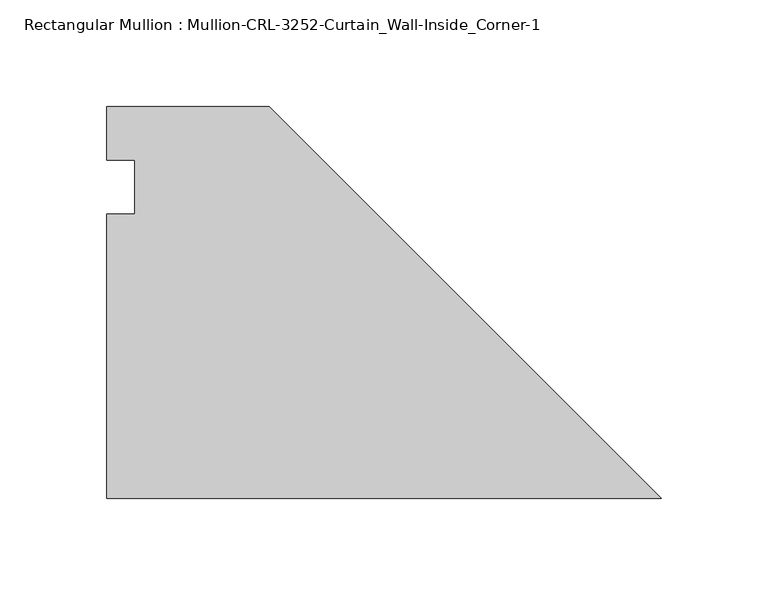
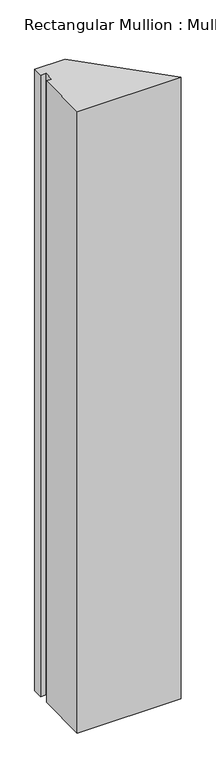
"""IFC4 building model written with IfcOpenShell, lengths in millimetres: member geometry, Rectangular Mullion : Mullion-CRL-3252-Curtain_Wall-Inside_Corner-1."""

from ifc_helpers import new_model, si_unit, frame, origin, place, context, project, spatial, polyline, outline, extrude, source, transform, mapped, element, save


def rectangular_mullion_mullion_crl_3252_curtain_wall_inside_a159020a(model_context):
    return source(origin(), model_context, "Body", "SweptSolid", [
        extrude(outline(polyline([(-183.8755352, 37.8701442), (0.0, -146.005391), (-260.0928023, -146.005391), (-260.0928023, -12.7), (-246.814215, -12.7), (-246.814215, 12.7), (-260.0928023, 12.7), (-260.0928023, 37.8701442), (-183.8755352, 37.8701442)])), frame((0.0, 0.0, -1642.0703125), z_axis=(0.0, 0.0, 1.0), x_axis=(1.0, 0.0, 0.0)), (0.0, 0.0, 1.0), 1642.0703125),
    ])


if __name__ == "__main__":
    model = new_model("IFC4")
    model_context = context("Model", 3, world=origin())
    ifc_project = project(units=[si_unit("LENGTHUNIT", "METRE", prefix="MILLI")], contexts=[model_context])
    site = spatial("IfcSite", under=ifc_project)
    building = spatial("IfcBuilding", under=site)
    placement = place(None, origin())
    rectangular_mullion_mullion_crl_3252_curtain_wall_inside_shape = rectangular_mullion_mullion_crl_3252_curtain_wall_inside_a159020a(model_context)
    element("IfcMember", 1, ObjectType="Rectangular Mullion : Mullion-CRL-3252-Curtain_Wall-Inside_Corner-1", at=placement, inside=building, context=model_context, shape_type="MappedRepresentation", body=[
        mapped(rectangular_mullion_mullion_crl_3252_curtain_wall_inside_shape, transform((0.0, 0.0, 0.0), x_axis=(1.0, 0.0, 0.0), y_axis=(0.0, 1.0, 0.0), z_axis=(0.0, 0.0, 1.0))),
    ])
    save(model, "model.ifc")
